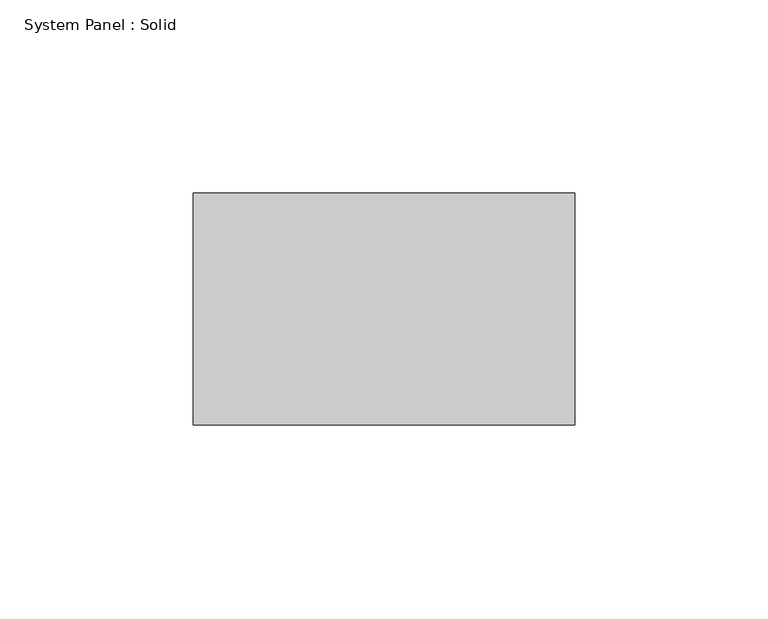
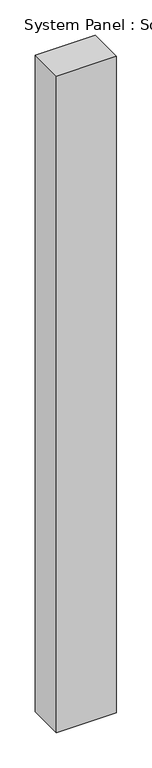
"""IFC4 building model written with IfcOpenShell, lengths in millimetres: plate geometry, System Panel : Solid."""

from ifc_helpers import new_model, si_unit, origin, origin_with_axes, place, context, project, spatial, polyline, outline, extrude, source, transform, mapped, element, save


def system_panel_solid_16faecc4(model_context):
    return source(origin(), model_context, "Body", "SweptSolid", [
        extrude(outline(polyline([(49.32484, -10.5), (-49.32484, -10.5), (-49.32484, 49.5), (49.32484, 49.5), (49.32484, -10.5)])), origin_with_axes(), (0.0, 0.0, 1.0), 1140.0),
    ])


if __name__ == "__main__":
    model = new_model("IFC4")
    model_context = context("Model", 3, world=origin())
    ifc_project = project(units=[si_unit("LENGTHUNIT", "METRE", prefix="MILLI")], contexts=[model_context])
    site = spatial("IfcSite", under=ifc_project)
    building = spatial("IfcBuilding", under=site)
    placement = place(None, origin())
    system_panel_solid_shape = system_panel_solid_16faecc4(model_context)
    element("IfcPlate", 1, ObjectType="System Panel : Solid", at=placement, inside=building, context=model_context, shape_type="MappedRepresentation", body=[
        mapped(system_panel_solid_shape, transform((0.0, 0.0, 0.0), x_axis=(1.0, 0.0, 0.0), y_axis=(0.0, 1.0, 0.0), z_axis=(0.0, 0.0, 1.0))),
    ])
    save(model, "model.ifc")
